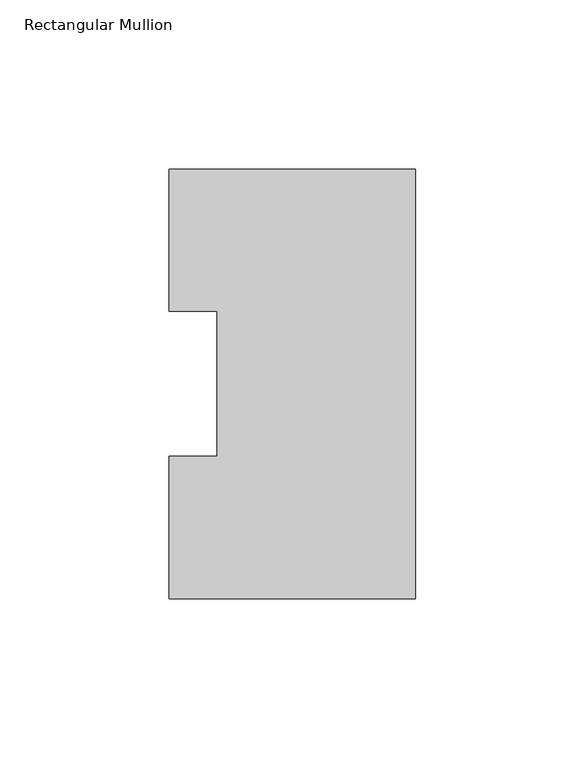
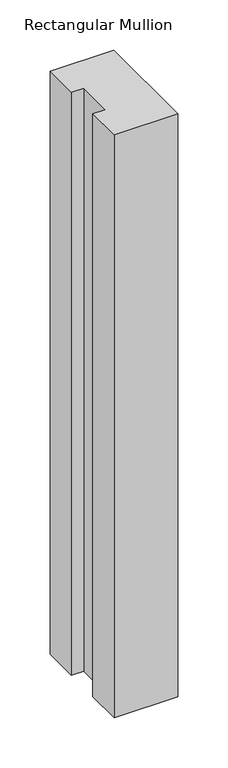
"""IFC4 building model written with IfcOpenShell, lengths in millimetres: member geometry, Rectangular Mullion."""

from ifc_helpers import new_model, si_unit, frame, origin, place, context, project, spatial, polyline, outline, extrude, source, transform, mapped, element, save


def rectangular_mullion_28944a18(model_context):
    return source(origin(), model_context, "Body", "SweptSolid", [
        extrude(outline(polyline([(0.0, 127.006348), (0.0, 0.0063465), (-73.025, 0.0063465), (-73.025, 42.0814491), (-58.7375, 42.0814491), (-58.7375, 84.93125), (-73.025, 84.93125), (-73.025, 127.006348), (0.0, 127.006348)])), frame((0.0, 0.0, -708.1184633), z_axis=(0.0, 0.0, 1.0), x_axis=(1.0, 0.0, 0.0)), (0.0, 0.0, 1.0), 708.1184633),
    ])


if __name__ == "__main__":
    model = new_model("IFC4")
    model_context = context("Model", 3, world=origin())
    ifc_project = project(units=[si_unit("LENGTHUNIT", "METRE", prefix="MILLI")], contexts=[model_context])
    site = spatial("IfcSite", under=ifc_project)
    building = spatial("IfcBuilding", under=site)
    placement = place(None, origin())
    rectangular_mullion_shape = rectangular_mullion_28944a18(model_context)
    element("IfcMember", 1, ObjectType="Rectangular Mullion", at=placement, inside=building, context=model_context, shape_type="MappedRepresentation", body=[
        mapped(rectangular_mullion_shape, transform((0.0, 0.0, 0.0), x_axis=(1.0, 0.0, 0.0), y_axis=(0.0, 1.0, 0.0), z_axis=(0.0, 0.0, 1.0))),
    ])
    save(model, "model.ifc")
